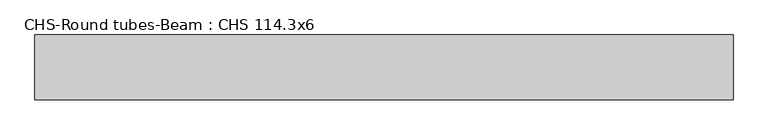
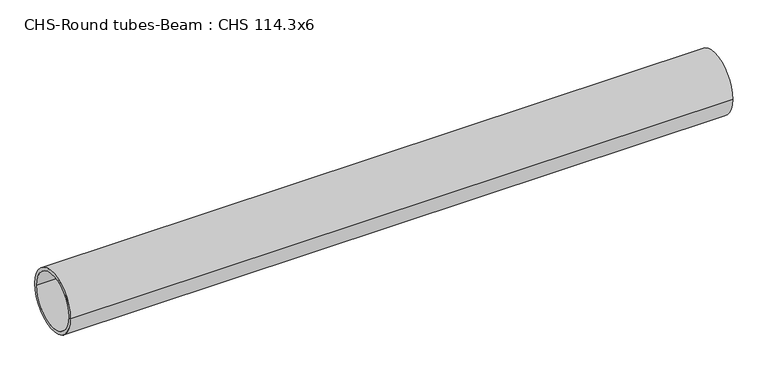
"""IFC4 building model written with IfcOpenShell, lengths in millimetres: beam geometry, CHS-Round tubes-Beam : CHS 114.3x6."""

from ifc_helpers import new_model, si_unit, point, frame, origin, origin_2d, place, context, project, spatial, circle_curve, trimmed, segment, composite_curve, outline, extrude, source, transform, mapped, element, save


def chs_round_tubes_beam_chs_114_3x6_30f26b55(model_context):
    return source(origin(), model_context, "Body", "SweptSolid", [
        extrude(outline(composite_curve([segment(trimmed(circle_curve(origin_2d(), 57.15), [point((57.15, 0.0))], [point((-57.15, 0.0))], False, "CARTESIAN"), True, "CONTINUOUS"), segment(trimmed(circle_curve(origin_2d(), 57.15), [point((-57.15, 0.0))], [point((57.15, 0.0))], False, "CARTESIAN"), True, "CONTINUOUS")], self_intersect=False), holes=[composite_curve([segment(trimmed(circle_curve(origin_2d(), 51.15), [point((51.15, 0.0))], [point((-51.15, 0.0))], True, "CARTESIAN"), True, "CONTINUOUS"), segment(trimmed(circle_curve(origin_2d(), 51.15), [point((-51.15, 0.0))], [point((51.15, 0.0))], True, "CARTESIAN"), True, "CONTINUOUS")], self_intersect=False)]), frame((-615.9251561, 0.0, 0.0), z_axis=(1.0, 0.0, 0.0), x_axis=(0.0, 1.0, 0.0)), (0.0, 0.0, 1.0), 1231.8542871),
    ])


if __name__ == "__main__":
    model = new_model("IFC4")
    model_context = context("Model", 3, world=origin())
    ifc_project = project(units=[si_unit("LENGTHUNIT", "METRE", prefix="MILLI")], contexts=[model_context])
    site = spatial("IfcSite", under=ifc_project)
    building = spatial("IfcBuilding", under=site)
    placement = place(None, origin())
    chs_round_tubes_beam_chs_114_3x6_shape = chs_round_tubes_beam_chs_114_3x6_30f26b55(model_context)
    element("IfcBeam", 1, ObjectType="CHS-Round tubes-Beam : CHS 114.3x6", at=placement, inside=building, context=model_context, shape_type="MappedRepresentation", body=[
        mapped(chs_round_tubes_beam_chs_114_3x6_shape, transform((0.0, 0.0, 0.0), x_axis=(1.0, 0.0, 0.0), y_axis=(0.0, 1.0, 0.0), z_axis=(0.0, 0.0, 1.0))),
    ])
    save(model, "model.ifc")
